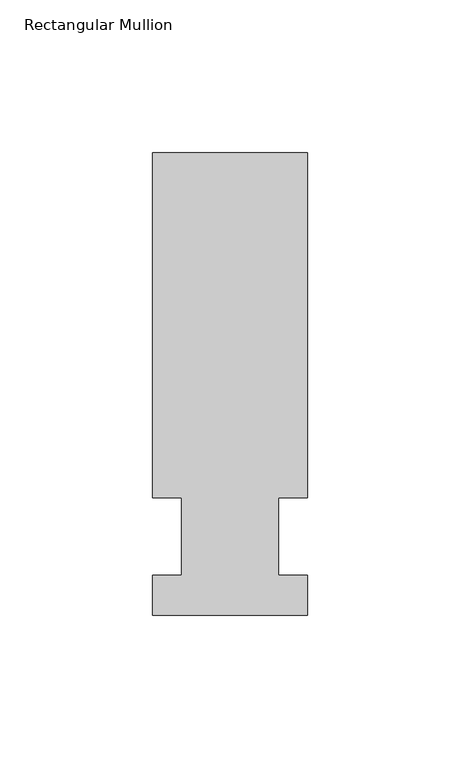
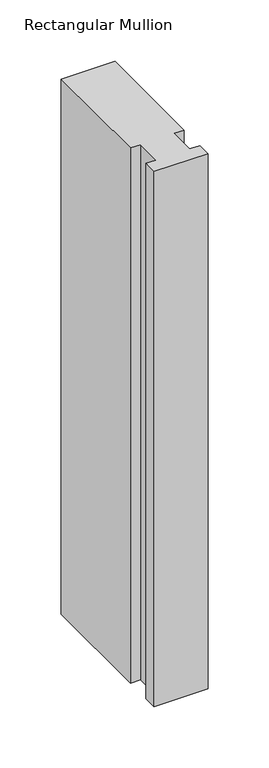
"""IFC4 building model written with IfcOpenShell, lengths in millimetres: member geometry, Rectangular Mullion."""

from ifc_helpers import new_model, si_unit, frame, origin, place, context, project, spatial, polyline, outline, extrude, source, transform, mapped, element, save


def rectangular_mullion_ff7bd16d(model_context):
    return source(origin(), model_context, "Body", "SweptSolid", [
        extrude(outline(polyline([(-25.4, -25.796875), (-25.4, -12.7), (-15.875, -12.7), (-15.875, 12.7), (-25.4, 12.7), (-25.4, 125.809375), (25.4, 125.809375), (25.4, 12.7), (15.875, 12.7), (15.875, -12.7), (25.4, -12.7), (25.4, -25.796875), (-25.4, -25.796875)])), frame((0.0, 0.0, -533.4), z_axis=(0.0, 0.0, 1.0), x_axis=(1.0, 0.0, 0.0)), (0.0, 0.0, 1.0), 533.4),
    ])


if __name__ == "__main__":
    model = new_model("IFC4")
    model_context = context("Model", 3, world=origin())
    ifc_project = project(units=[si_unit("LENGTHUNIT", "METRE", prefix="MILLI")], contexts=[model_context])
    site = spatial("IfcSite", under=ifc_project)
    building = spatial("IfcBuilding", under=site)
    placement = place(None, origin())
    rectangular_mullion_shape = rectangular_mullion_ff7bd16d(model_context)
    element("IfcMember", 1, ObjectType="Rectangular Mullion", at=placement, inside=building, context=model_context, shape_type="MappedRepresentation", body=[
        mapped(rectangular_mullion_shape, transform((0.0, 0.0, 0.0), x_axis=(1.0, 0.0, 0.0), y_axis=(0.0, 1.0, 0.0), z_axis=(0.0, 0.0, 1.0))),
    ])
    save(model, "model.ifc")
